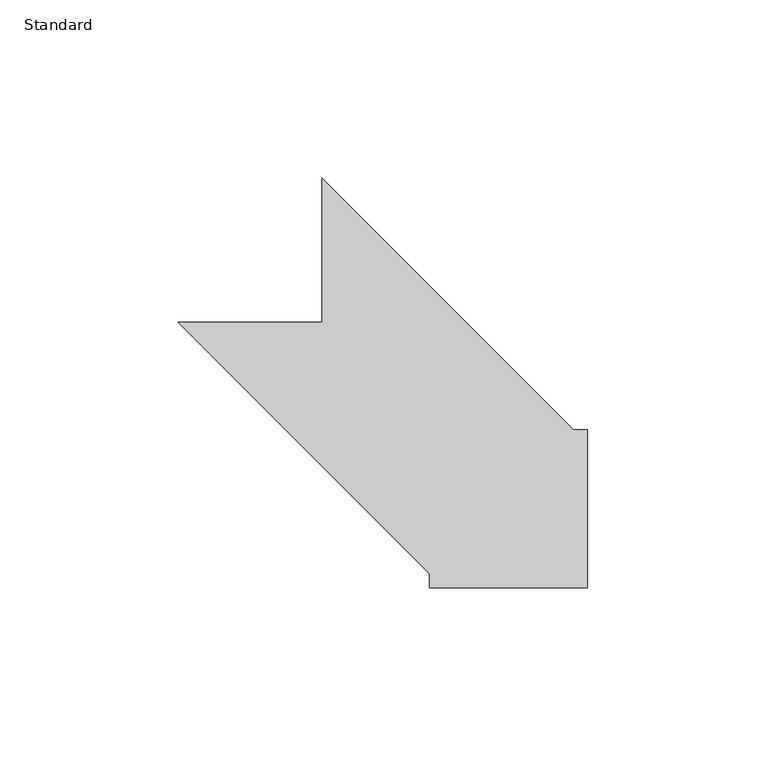
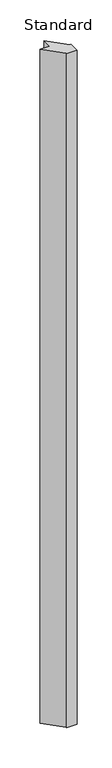
"""IFC4 building model written with IfcOpenShell, lengths in millimetres: column geometry, Standard."""

from ifc_helpers import new_model, si_unit, origin, origin_with_axes, place, context, project, spatial, polyline, outline, extrude, source, transform, mapped, element, save


def standard_1fa0be66(model_context):
    return source(origin(), model_context, "Body", "SweptSolid", [
        extrude(outline(polyline([(-44.45, 4.0388475), (-115.0236525, 74.6125), (-74.6125, 74.6125), (-74.6125, 115.0236525), (-4.0388475, 44.45), (0.0, 44.45), (0.0, 0.0), (-44.45, 0.0), (-44.45, 4.0388475)])), origin_with_axes(), (0.0, 0.0, 1.0), 3048.0),
    ])


if __name__ == "__main__":
    model = new_model("IFC4")
    model_context = context("Model", 3, world=origin())
    ifc_project = project(units=[si_unit("LENGTHUNIT", "METRE", prefix="MILLI")], contexts=[model_context])
    site = spatial("IfcSite", under=ifc_project)
    building = spatial("IfcBuilding", under=site)
    placement = place(None, origin())
    standard_shape = standard_1fa0be66(model_context)
    element("IfcColumn", 1, ObjectType="Standard", at=placement, inside=building, context=model_context, shape_type="MappedRepresentation", body=[
        mapped(standard_shape, transform((0.0, 0.0, 0.0), x_axis=(1.0, 0.0, 0.0), y_axis=(0.0, 1.0, 0.0), z_axis=(0.0, 0.0, 1.0))),
    ])
    save(model, "model.ifc")
